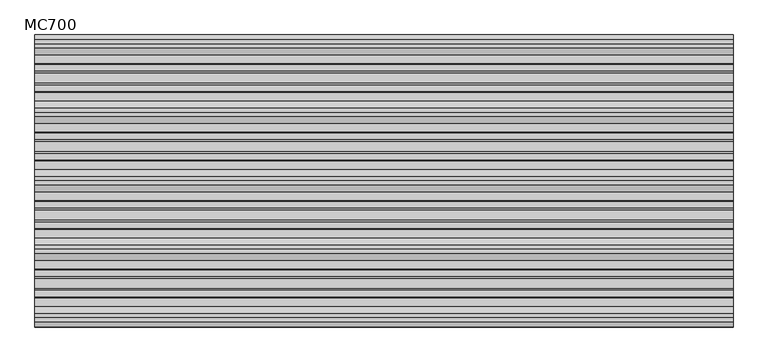
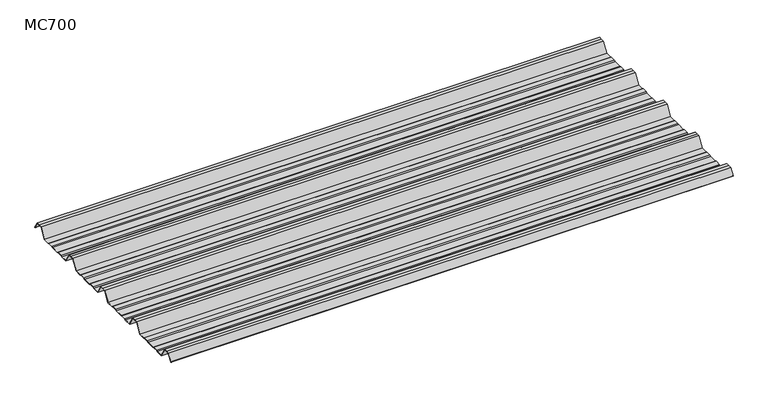
"""IFC4 building model written with IfcOpenShell, lengths in millimetres: beam geometry, MC700."""

from ifc_helpers import new_model, si_unit, point, frame, frame_2d, origin, place, context, project, spatial, polyline, circle_curve, trimmed, segment, composite_curve, outline, extrude, source, transform, mapped, element, save


def mc700_85815ef7(model_context):
    return source(origin(), model_context, "Body", "SweptSolid", [
        extrude(outline(composite_curve([segment(polyline([(-29.07451, -24.7896475), (-11.0, 6.2103525), (0.0, 6.2103525), (11.0, 6.2103525), (23.5921889, -15.3867949)]), True, "CONTINUOUS"), segment(trimmed(circle_curve(frame_2d((23.160246, -15.6386387)), 0.5), [point((23.5921889, -15.3867949))], [point((22.728303, -15.8904825))], False, "CARTESIAN"), True, "CONTINUOUS"), segment(polyline([(22.728303, -15.8904825), (10.4254884, 5.2103525), (0.0, 5.2103525), (-10.4254884, 5.2103525), (-28.4999984, -25.7896475), (-51.197636, -25.7896475), (-54.4126802, -23.7494212), (-70.8406714, -23.7494212), (-75.2209891, -25.7896475), (-102.2790109, -25.7896475), (-106.6593286, -23.7494212), (-123.0873198, -23.7494212), (-126.302364, -25.7896475), (-149.0000016, -25.7896475), (-167.0745116, 5.2103525), (-177.5, 5.2103525), (-187.9254884, 5.2103525), (-205.9999984, -25.7896475), (-228.697636, -25.7896475), (-231.9126802, -23.7494212), (-248.3406714, -23.7494212), (-252.7209891, -25.7896475), (-279.7790109, -25.7896475), (-284.1593286, -23.7494212), (-300.5873198, -23.7494212), (-303.802364, -25.7896475), (-326.5000016, -25.7896475), (-344.5745116, 5.2103525), (-355.0, 5.2103525), (-365.4254884, 5.2103525), (-383.4999984, -25.7896475), (-406.197636, -25.7896475), (-409.4126802, -23.7494212), (-425.8406714, -23.7494212), (-430.2209891, -25.7896475), (-457.2790109, -25.7896475), (-461.6593286, -23.7494212), (-478.0873198, -23.7494212), (-481.302364, -25.7896475), (-504.0000016, -25.7896475), (-522.0745116, 5.2103525), (-532.5, 5.2103525), (-542.9254884, 5.2103525), (-560.9999984, -25.7896475), (-583.697636, -25.7896475), (-586.9126802, -23.7494212), (-603.3406714, -23.7494212), (-607.7209891, -25.7896475), (-634.7790109, -25.7896475), (-639.1593286, -23.7494212), (-655.5873198, -23.7494212), (-658.802364, -25.7896475), (-681.5000016, -25.7896475), (-699.5745116, 5.2103525), (-710.0, 5.2103525), (-720.4254884, 5.2103525), (-732.728303, -15.8904825)]), True, "CONTINUOUS"), segment(trimmed(circle_curve(frame_2d((-733.160246, -15.6386387)), 0.5), [point((-732.728303, -15.8904825))], [point((-733.5921889, -15.3867949))], False, "CARTESIAN"), True, "CONTINUOUS"), segment(polyline([(-733.5921889, -15.3867949), (-721.0, 6.2103525), (-710.0, 6.2103525), (-699.0, 6.2103525), (-680.92549, -24.7896475), (-659.0928785, -24.7896475), (-655.8778343, -22.7494212), (-638.9378651, -22.7494212), (-634.5575473, -24.7896475), (-607.9424527, -24.7896475), (-603.5621349, -22.7494212), (-586.6221657, -22.7494212), (-583.4071215, -24.7896475), (-561.57451, -24.7896475), (-543.5, 6.2103525), (-532.5, 6.2103525), (-521.5, 6.2103525), (-503.42549, -24.7896475), (-481.5928785, -24.7896475), (-478.3778343, -22.7494212), (-461.4378651, -22.7494212), (-457.0575473, -24.7896475), (-430.4424527, -24.7896475), (-426.0621349, -22.7494212), (-409.1221657, -22.7494212), (-405.9071215, -24.7896475), (-384.07451, -24.7896475), (-366.0, 6.2103525), (-355.0, 6.2103525), (-344.0, 6.2103525), (-325.92549, -24.7896475), (-304.0928785, -24.7896475), (-300.8778343, -22.7494212), (-283.9378651, -22.7494212), (-279.5575473, -24.7896475), (-252.9424527, -24.7896475), (-248.5621349, -22.7494212), (-231.6221657, -22.7494212), (-228.4071215, -24.7896475), (-206.57451, -24.7896475), (-188.5, 6.2103525), (-177.5, 6.2103525), (-166.5, 6.2103525), (-148.42549, -24.7896475), (-126.5928785, -24.7896475), (-123.3778343, -22.7494212), (-106.4378651, -22.7494212), (-102.0575473, -24.7896475), (-75.4424527, -24.7896475), (-71.0621349, -22.7494212), (-54.1221657, -22.7494212), (-50.9071215, -24.7896475), (-29.07451, -24.7896475)]), True, "CONTINUOUS")], self_intersect=False)), frame((-905.0, 0.0, 0.0), z_axis=(1.0, 0.0, 0.0), x_axis=(0.0, 1.0, 0.0)), (0.0, 0.0, 1.0), 1810.0),
    ])


if __name__ == "__main__":
    model = new_model("IFC4")
    model_context = context("Model", 3, world=origin())
    ifc_project = project(units=[si_unit("LENGTHUNIT", "METRE", prefix="MILLI")], contexts=[model_context])
    site = spatial("IfcSite", under=ifc_project)
    building = spatial("IfcBuilding", under=site)
    placement = place(None, origin())
    mc700_shape = mc700_85815ef7(model_context)
    element("IfcBeam", 1, ObjectType="MC700", at=placement, inside=building, context=model_context, shape_type="MappedRepresentation", body=[
        mapped(mc700_shape, transform((0.0, 0.0, 0.0), x_axis=(1.0, 0.0, 0.0), y_axis=(0.0, 1.0, 0.0), z_axis=(0.0, 0.0, 1.0))),
    ])
    save(model, "model.ifc")
